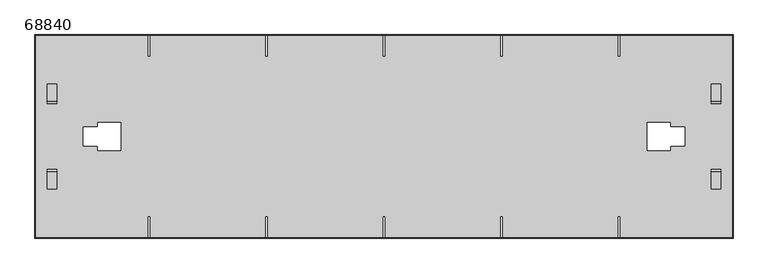
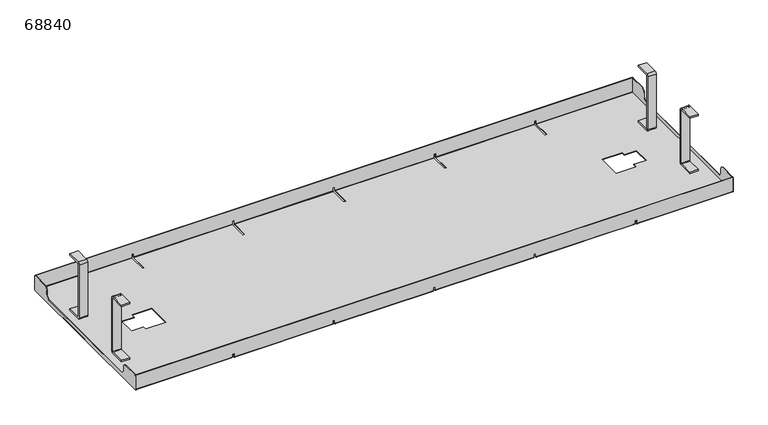
"""IFC4 building model written with IfcOpenShell, lengths in millimetres: furniture geometry, 68840."""

from ifc_helpers import new_model, si_unit, point, frame, frame_2d, origin, place, context, project, spatial, polyline, circle_curve, trimmed, segment, composite_curve, outline, extrude, source, transform, mapped, element, save
from ifc_brep_helpers import plane_surface, cylinder_surface, revolved_surface, advanced_brep


def furniture_68840_d2eab480(model_context):
    return source(origin(), model_context, "Body", "SolidModel", [
        extrude(outline(composite_curve([segment(polyline([(73.0, 146.0), (108.0, 146.0), (108.0, 142.0), (73.0, 142.0)]), True, "CONTINUOUS"), segment(trimmed(circle_curve(frame_2d((73.0, 141.0)), 1.0), [point((73.0, 142.0))], [point((72.0, 141.0))], True, "CARTESIAN"), True, "CONTINUOUS"), segment(polyline([(72.0, 141.0), (72.0, 6.0)]), True, "CONTINUOUS"), segment(trimmed(circle_curve(frame_2d((73.0, 6.0)), 1.0), [point((72.0, 6.0))], [point((73.0, 5.0))], True, "CARTESIAN"), True, "CONTINUOUS"), segment(polyline([(73.0, 5.0), (108.0, 5.0), (108.0, 1.0), (73.0, 1.0)]), True, "CONTINUOUS"), segment(trimmed(circle_curve(frame_2d((73.0, 6.0)), 5.0), [point((73.0, 1.0))], [point((68.0, 6.0))], False, "CARTESIAN"), True, "CONTINUOUS"), segment(polyline([(68.0, 6.0), (68.0, 141.0)]), True, "CONTINUOUS"), segment(trimmed(circle_curve(frame_2d((73.0, 141.0)), 5.0), [point((68.0, 141.0))], [point((73.0, 146.0))], False, "CARTESIAN"), True, "CONTINUOUS")], self_intersect=False)), frame((1395.0, 0.0, 0.0), z_axis=(1.0, 0.0, 0.0), x_axis=(0.0, 1.0, 0.0)), (0.0, 0.0, 1.0), 20.0),
        extrude(outline(composite_curve([segment(polyline([(73.0, 146.0), (108.0, 146.0), (108.0, 142.0), (73.0, 142.0)]), True, "CONTINUOUS"), segment(trimmed(circle_curve(frame_2d((73.0, 141.0)), 1.0), [point((73.0, 142.0))], [point((72.0, 141.0))], True, "CARTESIAN"), True, "CONTINUOUS"), segment(polyline([(72.0, 141.0), (72.0, 6.0)]), True, "CONTINUOUS"), segment(trimmed(circle_curve(frame_2d((73.0, 6.0)), 1.0), [point((72.0, 6.0))], [point((73.0, 5.0))], True, "CARTESIAN"), True, "CONTINUOUS"), segment(polyline([(73.0, 5.0), (108.0, 5.0), (108.0, 1.0), (73.0, 1.0)]), True, "CONTINUOUS"), segment(trimmed(circle_curve(frame_2d((73.0, 6.0)), 5.0), [point((73.0, 1.0))], [point((68.0, 6.0))], False, "CARTESIAN"), True, "CONTINUOUS"), segment(polyline([(68.0, 6.0), (68.0, 141.0)]), True, "CONTINUOUS"), segment(trimmed(circle_curve(frame_2d((73.0, 141.0)), 5.0), [point((68.0, 141.0))], [point((73.0, 146.0))], False, "CARTESIAN"), True, "CONTINUOUS")], self_intersect=False)), frame((25.0, 0.0, 0.0), z_axis=(1.0, 0.0, 0.0), x_axis=(0.0, 1.0, 0.0)), (0.0, 0.0, 1.0), 20.0),
        extrude(outline(composite_curve([segment(trimmed(circle_curve(frame_2d((-73.0, 141.0)), 5.0), [point((-73.0, 146.0))], [point((-68.0, 141.0))], False, "CARTESIAN"), True, "CONTINUOUS"), segment(polyline([(-68.0, 141.0), (-68.0, 6.0)]), True, "CONTINUOUS"), segment(trimmed(circle_curve(frame_2d((-73.0, 6.0)), 5.0), [point((-68.0, 6.0))], [point((-73.0, 1.0))], False, "CARTESIAN"), True, "CONTINUOUS"), segment(polyline([(-73.0, 1.0), (-108.0, 1.0), (-108.0, 5.0), (-73.0, 5.0)]), True, "CONTINUOUS"), segment(trimmed(circle_curve(frame_2d((-73.0, 6.0)), 1.0), [point((-73.0, 5.0))], [point((-72.0, 6.0))], True, "CARTESIAN"), True, "CONTINUOUS"), segment(polyline([(-72.0, 6.0), (-72.0, 141.0)]), True, "CONTINUOUS"), segment(trimmed(circle_curve(frame_2d((-73.0, 141.0)), 1.0), [point((-72.0, 141.0))], [point((-73.0, 142.0))], True, "CARTESIAN"), True, "CONTINUOUS"), segment(polyline([(-73.0, 142.0), (-108.0, 142.0), (-108.0, 146.0), (-73.0, 146.0)]), True, "CONTINUOUS")], self_intersect=False)), frame((1395.0, 0.0, 0.0), z_axis=(1.0, 0.0, 0.0), x_axis=(0.0, 1.0, 0.0)), (0.0, 0.0, 1.0), 20.0),
        extrude(outline(composite_curve([segment(trimmed(circle_curve(frame_2d((-73.0, 141.0)), 5.0), [point((-73.0, 146.0))], [point((-68.0, 141.0))], False, "CARTESIAN"), True, "CONTINUOUS"), segment(polyline([(-68.0, 141.0), (-68.0, 6.0)]), True, "CONTINUOUS"), segment(trimmed(circle_curve(frame_2d((-73.0, 6.0)), 5.0), [point((-68.0, 6.0))], [point((-73.0, 1.0))], False, "CARTESIAN"), True, "CONTINUOUS"), segment(polyline([(-73.0, 1.0), (-108.0, 1.0), (-108.0, 5.0), (-73.0, 5.0)]), True, "CONTINUOUS"), segment(trimmed(circle_curve(frame_2d((-73.0, 6.0)), 1.0), [point((-73.0, 5.0))], [point((-72.0, 6.0))], True, "CARTESIAN"), True, "CONTINUOUS"), segment(polyline([(-72.0, 6.0), (-72.0, 141.0)]), True, "CONTINUOUS"), segment(trimmed(circle_curve(frame_2d((-73.0, 141.0)), 1.0), [point((-72.0, 141.0))], [point((-73.0, 142.0))], True, "CARTESIAN"), True, "CONTINUOUS"), segment(polyline([(-73.0, 142.0), (-108.0, 142.0), (-108.0, 146.0), (-73.0, 146.0)]), True, "CONTINUOUS")], self_intersect=False)), frame((25.0, 0.0, 0.0), z_axis=(1.0, 0.0, 0.0), x_axis=(0.0, 1.0, 0.0)), (0.0, 0.0, 1.0), 20.0),
        advanced_brep(
        [(1439.0, -210.0, 2.0), (1439.0, -208.0, 0.0), (1439.0, 208.0, 0.0), (1439.0, 210.0, 2.0), (1439.0, 210.0, 38.0), (1439.0, 209.0, 38.0), (1439.0, 209.0, 2.0), (1439.0, 208.0, 1.0), (1439.0, -208.0, 1.0), (1439.0, -209.0, 2.0), (1439.0, -209.0, 38.0), (1439.0, -210.0, 38.0), (1.0, -210.0, 2.0), (1.0, -210.0, 38.0), (1.0, -209.0, 38.0), (1.0, -209.0, 2.0), (1.0, -208.0, 1.0), (1.0, 208.0, 1.0), (1.0, 209.0, 2.0), (1.0, 209.0, 38.0), (1.0, 210.0, 38.0), (1.0, 210.0, 2.0), (1.0, 208.0, 0.0), (1.0, -208.0, 0.0), (1207.5, -208.0, 0.0), (1207.5, -165.0, 0.0), (1202.5, -165.0, 0.0), (1202.5, -208.0, 0.0), (965.0, -208.0, 0.0), (965.0, -165.0, 0.0), (960.0, -165.0, 0.0), (960.0, -208.0, 0.0), (722.5, -208.0, 0.0), (722.5, -165.0, 0.0), (717.5, -165.0, 0.0), (717.5, -208.0, 0.0), (480.0, -208.0, 0.0), (480.0, -165.0, 0.0), (475.0, -165.0, 0.0), (475.0, -208.0, 0.0), (237.5, -208.0, 0.0), (237.5, -165.0, 0.0), (232.5, -165.0, 0.0), (232.5, -208.0, 0.0), (232.5, 208.0, 0.0), (232.5, 165.0, 0.0), (237.5, 165.0, 0.0), (237.5, 208.0, 0.0), (475.0, 208.0, 0.0), (475.0, 165.0, 0.0), (480.0, 165.0, 0.0), (480.0, 208.0, 0.0), (717.5, 208.0, 0.0), (717.5, 165.0, 0.0), (722.5, 165.0, 0.0), (722.5, 208.0, 0.0), (960.0, 208.0, 0.0), (960.0, 165.0, 0.0), (965.0, 165.0, 0.0), (965.0, 208.0, 0.0), (1202.5, 208.0, 0.0), (1202.5, 165.0, 0.0), (1207.5, 165.0, 0.0), (1207.5, 208.0, 0.0), (129.5, 20.0, 0.0), (100.0, 20.0, 0.0), (100.0, -20.0, 0.0), (129.5, -20.0, 0.0), (129.5, -29.0, 0.0), (177.5, -29.0, 0.0), (177.5, 29.0, 0.0), (129.5, 29.0, 0.0), (1310.5, -20.0, 0.0), (1340.0, -20.0, 0.0), (1340.0, 20.0, 0.0), (1310.5, 20.0, 0.0), (1310.5, 29.0, 0.0), (1262.5, 29.0, 0.0), (1262.5, -29.0, 0.0), (1310.5, -29.0, 0.0), (1207.5, 210.0, 2.0), (1207.5, 210.0, 10.0), (1202.5, 210.0, 10.0), (1202.5, 210.0, 2.0), (965.0, 210.0, 2.0), (965.0, 210.0, 10.0), (960.0, 210.0, 10.0), (960.0, 210.0, 2.0), (722.5, 210.0, 2.0), (722.5, 210.0, 10.0), (717.5, 210.0, 10.0), (717.5, 210.0, 2.0), (480.0, 210.0, 2.0), (480.0, 210.0, 10.0), (475.0, 210.0, 10.0), (475.0, 210.0, 2.0), (237.5, 210.0, 2.0), (237.5, 210.0, 10.0), (232.5, 210.0, 10.0), (232.5, 210.0, 2.0), (232.5, 209.0, 2.0), (232.5, 209.0, 10.0), (237.5, 209.0, 10.0), (237.5, 209.0, 2.0), (475.0, 209.0, 2.0), (475.0, 209.0, 10.0), (480.0, 209.0, 10.0), (480.0, 209.0, 2.0), (717.5, 209.0, 2.0), (717.5, 209.0, 10.0), (722.5, 209.0, 10.0), (722.5, 209.0, 2.0), (960.0, 209.0, 2.0), (960.0, 209.0, 10.0), (965.0, 209.0, 10.0), (965.0, 209.0, 2.0), (1202.5, 209.0, 2.0), (1202.5, 209.0, 10.0), (1207.5, 209.0, 10.0), (1207.5, 209.0, 2.0), (1207.5, 208.0, 1.0), (1207.5, 165.0, 1.0), (1202.5, 165.0, 1.0), (1202.5, 208.0, 1.0), (965.0, 208.0, 1.0), (965.0, 165.0, 1.0), (960.0, 165.0, 1.0), (960.0, 208.0, 1.0), (722.5, 208.0, 1.0), (722.5, 165.0, 1.0), (717.5, 165.0, 1.0), (717.5, 208.0, 1.0), (480.0, 208.0, 1.0), (480.0, 165.0, 1.0), (475.0, 165.0, 1.0), (475.0, 208.0, 1.0), (237.5, 208.0, 1.0), (237.5, 165.0, 1.0), (232.5, 165.0, 1.0), (232.5, 208.0, 1.0), (232.5, -208.0, 1.0), (232.5, -165.0, 1.0), (237.5, -165.0, 1.0), (237.5, -208.0, 1.0), (475.0, -208.0, 1.0), (475.0, -165.0, 1.0), (480.0, -165.0, 1.0), (480.0, -208.0, 1.0), (717.5, -208.0, 1.0), (717.5, -165.0, 1.0), (722.5, -165.0, 1.0), (722.5, -208.0, 1.0), (960.0, -208.0, 1.0), (960.0, -165.0, 1.0), (965.0, -165.0, 1.0), (965.0, -208.0, 1.0), (1202.5, -208.0, 1.0), (1202.5, -165.0, 1.0), (1207.5, -165.0, 1.0), (1207.5, -208.0, 1.0), (100.0, 20.0, 1.0), (129.5, 20.0, 1.0), (129.5, 29.0, 1.0), (177.5, 29.0, 1.0), (177.5, -29.0, 1.0), (129.5, -29.0, 1.0), (129.5, -20.0, 1.0), (100.0, -20.0, 1.0), (1340.0, -20.0, 1.0), (1310.5, -20.0, 1.0), (1310.5, -29.0, 1.0), (1262.5, -29.0, 1.0), (1262.5, 29.0, 1.0), (1310.5, 29.0, 1.0), (1310.5, 20.0, 1.0), (1340.0, 20.0, 1.0), (1207.5, -209.0, 2.0), (1207.5, -209.0, 10.0), (1202.5, -209.0, 10.0), (1202.5, -209.0, 2.0), (965.0, -209.0, 2.0), (965.0, -209.0, 10.0), (960.0, -209.0, 10.0), (960.0, -209.0, 2.0), (722.5, -209.0, 2.0), (722.5, -209.0, 10.0), (717.5, -209.0, 10.0), (717.5, -209.0, 2.0), (480.0, -209.0, 2.0), (480.0, -209.0, 10.0), (475.0, -209.0, 10.0), (475.0, -209.0, 2.0), (237.5, -209.0, 2.0), (237.5, -209.0, 10.0), (232.5, -209.0, 10.0), (232.5, -209.0, 2.0), (232.5, -210.0, 2.0), (232.5, -210.0, 10.0), (237.5, -210.0, 10.0), (237.5, -210.0, 2.0), (475.0, -210.0, 2.0), (475.0, -210.0, 10.0), (480.0, -210.0, 10.0), (480.0, -210.0, 2.0), (717.5, -210.0, 2.0), (717.5, -210.0, 10.0), (722.5, -210.0, 10.0), (722.5, -210.0, 2.0), (960.0, -210.0, 2.0), (960.0, -210.0, 10.0), (965.0, -210.0, 10.0), (965.0, -210.0, 2.0), (1202.5, -210.0, 2.0), (1202.5, -210.0, 10.0), (1207.5, -210.0, 10.0), (1207.5, -210.0, 2.0)],
        [
            (0, 1, circle_curve(frame((1439.0, -208.0, 2.0), z_axis=(1.0, 0.0, 0.0), x_axis=(0.0, 1.0, 0.0)), 2.0)),
            (1, 2),
            (2, 3, circle_curve(frame((1439.0, 208.0, 2.0), z_axis=(1.0, 0.0, 0.0), x_axis=(0.0, 1.0, 0.0)), 2.0)),
            (3, 4),
            (4, 5),
            (5, 6),
            (6, 7, circle_curve(frame((1439.0, 208.0, 2.0), z_axis=(-1.0, 0.0, 0.0), x_axis=(0.0, 1.0, 0.0)), 1.0)),
            (7, 8),
            (8, 9, circle_curve(frame((1439.0, -208.0, 2.0), z_axis=(-1.0, 0.0, 0.0), x_axis=(0.0, 1.0, 0.0)), 1.0)),
            (9, 10),
            (10, 11),
            (11, 0),
            (12, 13),
            (13, 14),
            (14, 15),
            (15, 16, circle_curve(frame((1.0, -208.0, 2.0), z_axis=(1.0, 0.0, 0.0), x_axis=(0.0, 1.0, 0.0)), 1.0)),
            (16, 17),
            (17, 18, circle_curve(frame((1.0, 208.0, 2.0), z_axis=(1.0, 0.0, 0.0), x_axis=(0.0, 1.0, 0.0)), 1.0)),
            (18, 19),
            (19, 20),
            (20, 21),
            (21, 22, circle_curve(frame((1.0, 208.0, 2.0), z_axis=(-1.0, 0.0, 0.0), x_axis=(0.0, 1.0, 0.0)), 2.0)),
            (22, 23),
            (23, 12, circle_curve(frame((1.0, -208.0, 2.0), z_axis=(-1.0, 0.0, 0.0), x_axis=(0.0, 1.0, 0.0)), 2.0)),
            (1, 24),
            (24, 25),
            (25, 26),
            (26, 27),
            (27, 28),
            (28, 29),
            (29, 30),
            (30, 31),
            (31, 32),
            (32, 33),
            (33, 34),
            (34, 35),
            (35, 36),
            (36, 37),
            (37, 38),
            (38, 39),
            (39, 40),
            (40, 41),
            (41, 42),
            (42, 43),
            (43, 23),
            (22, 44),
            (44, 45),
            (45, 46),
            (46, 47),
            (47, 48),
            (48, 49),
            (49, 50),
            (50, 51),
            (51, 52),
            (52, 53),
            (53, 54),
            (54, 55),
            (55, 56),
            (56, 57),
            (57, 58),
            (58, 59),
            (59, 60),
            (60, 61),
            (61, 62),
            (62, 63),
            (63, 2),
            (64, 65),
            (65, 66),
            (66, 67),
            (67, 68),
            (68, 69),
            (69, 70),
            (70, 71),
            (71, 64),
            (72, 73),
            (73, 74),
            (74, 75),
            (75, 76),
            (76, 77),
            (77, 78),
            (78, 79),
            (79, 72),
            (3, 80),
            (80, 81),
            (81, 82),
            (82, 83),
            (83, 84),
            (84, 85),
            (85, 86),
            (86, 87),
            (87, 88),
            (88, 89),
            (89, 90),
            (90, 91),
            (91, 92),
            (92, 93),
            (93, 94),
            (94, 95),
            (95, 96),
            (96, 97),
            (97, 98),
            (98, 99),
            (99, 21),
            (20, 4),
            (19, 5),
            (18, 100),
            (100, 101),
            (101, 102),
            (102, 103),
            (103, 104),
            (104, 105),
            (105, 106),
            (106, 107),
            (107, 108),
            (108, 109),
            (109, 110),
            (110, 111),
            (111, 112),
            (112, 113),
            (113, 114),
            (114, 115),
            (115, 116),
            (116, 117),
            (117, 118),
            (118, 119),
            (119, 6),
            (7, 120),
            (120, 121),
            (121, 122),
            (122, 123),
            (123, 124),
            (124, 125),
            (125, 126),
            (126, 127),
            (127, 128),
            (128, 129),
            (129, 130),
            (130, 131),
            (131, 132),
            (132, 133),
            (133, 134),
            (134, 135),
            (135, 136),
            (136, 137),
            (137, 138),
            (138, 139),
            (139, 17),
            (16, 140),
            (140, 141),
            (141, 142),
            (142, 143),
            (143, 144),
            (144, 145),
            (145, 146),
            (146, 147),
            (147, 148),
            (148, 149),
            (149, 150),
            (150, 151),
            (151, 152),
            (152, 153),
            (153, 154),
            (154, 155),
            (155, 156),
            (156, 157),
            (157, 158),
            (158, 159),
            (159, 8),
            (160, 161),
            (161, 162),
            (162, 163),
            (163, 164),
            (164, 165),
            (165, 166),
            (166, 167),
            (167, 160),
            (168, 169),
            (169, 170),
            (170, 171),
            (171, 172),
            (172, 173),
            (173, 174),
            (174, 175),
            (175, 168),
            (9, 176),
            (176, 177),
            (177, 178),
            (178, 179),
            (179, 180),
            (180, 181),
            (181, 182),
            (182, 183),
            (183, 184),
            (184, 185),
            (185, 186),
            (186, 187),
            (187, 188),
            (188, 189),
            (189, 190),
            (190, 191),
            (191, 192),
            (192, 193),
            (193, 194),
            (194, 195),
            (195, 15),
            (14, 10),
            (13, 11),
            (12, 196),
            (196, 197),
            (197, 198),
            (198, 199),
            (199, 200),
            (200, 201),
            (201, 202),
            (202, 203),
            (203, 204),
            (204, 205),
            (205, 206),
            (206, 207),
            (207, 208),
            (208, 209),
            (209, 210),
            (210, 211),
            (211, 212),
            (212, 213),
            (213, 214),
            (214, 215),
            (215, 0),
            (215, 24, circle_curve(frame((1207.5, -208.0, 2.0), z_axis=(1.0, 0.0, 0.0), x_axis=(0.0, 1.0, 0.0)), 2.0)),
            (43, 196, circle_curve(frame((232.5, -208.0, 2.0), z_axis=(-1.0, 0.0, 0.0), x_axis=(0.0, 1.0, 0.0)), 2.0)),
            (199, 40, circle_curve(frame((237.5, -208.0, 2.0), z_axis=(1.0, 0.0, 0.0), x_axis=(0.0, 1.0, 0.0)), 2.0)),
            (39, 200, circle_curve(frame((475.0, -208.0, 2.0), z_axis=(-1.0, 0.0, 0.0), x_axis=(0.0, 1.0, 0.0)), 2.0)),
            (27, 212, circle_curve(frame((1202.5, -208.0, 2.0), z_axis=(-1.0, 0.0, 0.0), x_axis=(0.0, 1.0, 0.0)), 2.0)),
            (211, 28, circle_curve(frame((965.0, -208.0, 2.0), z_axis=(1.0, 0.0, 0.0), x_axis=(0.0, 1.0, 0.0)), 2.0)),
            (203, 36, circle_curve(frame((480.0, -208.0, 2.0), z_axis=(1.0, 0.0, 0.0), x_axis=(0.0, 1.0, 0.0)), 2.0)),
            (35, 204, circle_curve(frame((717.5, -208.0, 2.0), z_axis=(-1.0, 0.0, 0.0), x_axis=(0.0, 1.0, 0.0)), 2.0)),
            (207, 32, circle_curve(frame((722.5, -208.0, 2.0), z_axis=(1.0, 0.0, 0.0), x_axis=(0.0, 1.0, 0.0)), 2.0)),
            (31, 208, circle_curve(frame((960.0, -208.0, 2.0), z_axis=(-1.0, 0.0, 0.0), x_axis=(0.0, 1.0, 0.0)), 2.0)),
            (63, 80, circle_curve(frame((1207.5, 208.0, 2.0), z_axis=(1.0, 0.0, 0.0), x_axis=(0.0, 1.0, 0.0)), 2.0)),
            (99, 44, circle_curve(frame((232.5, 208.0, 2.0), z_axis=(-1.0, 0.0, 0.0), x_axis=(0.0, 1.0, 0.0)), 2.0)),
            (47, 96, circle_curve(frame((237.5, 208.0, 2.0), z_axis=(1.0, 0.0, 0.0), x_axis=(0.0, 1.0, 0.0)), 2.0)),
            (95, 48, circle_curve(frame((475.0, 208.0, 2.0), z_axis=(-1.0, 0.0, 0.0), x_axis=(0.0, 1.0, 0.0)), 2.0)),
            (83, 60, circle_curve(frame((1202.5, 208.0, 2.0), z_axis=(-1.0, 0.0, 0.0), x_axis=(0.0, 1.0, 0.0)), 2.0)),
            (59, 84, circle_curve(frame((965.0, 208.0, 2.0), z_axis=(1.0, 0.0, 0.0), x_axis=(0.0, 1.0, 0.0)), 2.0)),
            (51, 92, circle_curve(frame((480.0, 208.0, 2.0), z_axis=(1.0, 0.0, 0.0), x_axis=(0.0, 1.0, 0.0)), 2.0)),
            (91, 52, circle_curve(frame((717.5, 208.0, 2.0), z_axis=(-1.0, 0.0, 0.0), x_axis=(0.0, 1.0, 0.0)), 2.0)),
            (55, 88, circle_curve(frame((722.5, 208.0, 2.0), z_axis=(1.0, 0.0, 0.0), x_axis=(0.0, 1.0, 0.0)), 2.0)),
            (87, 56, circle_curve(frame((960.0, 208.0, 2.0), z_axis=(-1.0, 0.0, 0.0), x_axis=(0.0, 1.0, 0.0)), 2.0)),
            (119, 120, circle_curve(frame((1207.5, 208.0, 2.0), z_axis=(-1.0, 0.0, 0.0), x_axis=(0.0, 1.0, 0.0)), 1.0)),
            (139, 100, circle_curve(frame((232.5, 208.0, 2.0), z_axis=(1.0, 0.0, 0.0), x_axis=(0.0, 1.0, 0.0)), 1.0)),
            (103, 136, circle_curve(frame((237.5, 208.0, 2.0), z_axis=(-1.0, 0.0, 0.0), x_axis=(0.0, 1.0, 0.0)), 1.0)),
            (135, 104, circle_curve(frame((475.0, 208.0, 2.0), z_axis=(1.0, 0.0, 0.0), x_axis=(0.0, 1.0, 0.0)), 1.0)),
            (123, 116, circle_curve(frame((1202.5, 208.0, 2.0), z_axis=(1.0, 0.0, 0.0), x_axis=(0.0, 1.0, 0.0)), 1.0)),
            (115, 124, circle_curve(frame((965.0, 208.0, 2.0), z_axis=(-1.0, 0.0, 0.0), x_axis=(0.0, 1.0, 0.0)), 1.0)),
            (107, 132, circle_curve(frame((480.0, 208.0, 2.0), z_axis=(-1.0, 0.0, 0.0), x_axis=(0.0, 1.0, 0.0)), 1.0)),
            (131, 108, circle_curve(frame((717.5, 208.0, 2.0), z_axis=(1.0, 0.0, 0.0), x_axis=(0.0, 1.0, 0.0)), 1.0)),
            (111, 128, circle_curve(frame((722.5, 208.0, 2.0), z_axis=(-1.0, 0.0, 0.0), x_axis=(0.0, 1.0, 0.0)), 1.0)),
            (127, 112, circle_curve(frame((960.0, 208.0, 2.0), z_axis=(1.0, 0.0, 0.0), x_axis=(0.0, 1.0, 0.0)), 1.0)),
            (159, 176, circle_curve(frame((1207.5, -208.0, 2.0), z_axis=(-1.0, 0.0, 0.0), x_axis=(0.0, 1.0, 0.0)), 1.0)),
            (195, 140, circle_curve(frame((232.5, -208.0, 2.0), z_axis=(1.0, 0.0, 0.0), x_axis=(0.0, 1.0, 0.0)), 1.0)),
            (143, 192, circle_curve(frame((237.5, -208.0, 2.0), z_axis=(-1.0, 0.0, 0.0), x_axis=(0.0, 1.0, 0.0)), 1.0)),
            (191, 144, circle_curve(frame((475.0, -208.0, 2.0), z_axis=(1.0, 0.0, 0.0), x_axis=(0.0, 1.0, 0.0)), 1.0)),
            (179, 156, circle_curve(frame((1202.5, -208.0, 2.0), z_axis=(1.0, 0.0, 0.0), x_axis=(0.0, 1.0, 0.0)), 1.0)),
            (155, 180, circle_curve(frame((965.0, -208.0, 2.0), z_axis=(-1.0, 0.0, 0.0), x_axis=(0.0, 1.0, 0.0)), 1.0)),
            (147, 188, circle_curve(frame((480.0, -208.0, 2.0), z_axis=(-1.0, 0.0, 0.0), x_axis=(0.0, 1.0, 0.0)), 1.0)),
            (187, 148, circle_curve(frame((717.5, -208.0, 2.0), z_axis=(1.0, 0.0, 0.0), x_axis=(0.0, 1.0, 0.0)), 1.0)),
            (151, 184, circle_curve(frame((722.5, -208.0, 2.0), z_axis=(-1.0, 0.0, 0.0), x_axis=(0.0, 1.0, 0.0)), 1.0)),
            (183, 152, circle_curve(frame((960.0, -208.0, 2.0), z_axis=(1.0, 0.0, 0.0), x_axis=(0.0, 1.0, 0.0)), 1.0)),
            (64, 161),
            (160, 65),
            (167, 66),
            (166, 67),
            (165, 68),
            (164, 69),
            (163, 70),
            (162, 71),
            (72, 169),
            (168, 73),
            (175, 74),
            (174, 75),
            (173, 76),
            (172, 77),
            (171, 78),
            (170, 79),
            (97, 102),
            (101, 98),
            (138, 45),
            (137, 46),
            (81, 118),
            (117, 82),
            (122, 61),
            (121, 62),
            (93, 106),
            (105, 94),
            (134, 49),
            (133, 50),
            (193, 198),
            (197, 194),
            (41, 142),
            (141, 42),
            (177, 214),
            (213, 178),
            (25, 158),
            (157, 26),
            (189, 202),
            (201, 190),
            (37, 146),
            (145, 38),
            (89, 110),
            (109, 90),
            (130, 53),
            (129, 54),
            (85, 114),
            (113, 86),
            (126, 57),
            (125, 58),
            (185, 206),
            (205, 186),
            (33, 150),
            (149, 34),
            (181, 210),
            (209, 182),
            (29, 154),
            (153, 30),
        ],
        [
            plane_surface(frame((1439.0, -206.0, 2.0), z_axis=(1.0, 0.0, 0.0), x_axis=(0.0, 0.0, 1.0))),
            plane_surface(frame((1.0, -206.0, 2.0), z_axis=(-1.0, 0.0, 0.0), x_axis=(0.0, 0.0, -1.0))),
            plane_surface(frame((1439.0, -208.0, 0.0), z_axis=(0.0, 0.0, -1.0), x_axis=(-1.0, 0.0, 0.0))),
            plane_surface(frame((1439.0, 210.0, 2.0), z_axis=(0.0, 1.0, 0.0), x_axis=(-1.0, 0.0, 0.0))),
            plane_surface(frame((1439.0, 210.0, 38.0), z_axis=(0.0, 0.0, 1.0), x_axis=(-1.0, 0.0, 0.0))),
            plane_surface(frame((1439.0, 209.0, 38.0), z_axis=(0.0, -1.0, 0.0), x_axis=(-1.0, 0.0, 0.0))),
            plane_surface(frame((1439.0, 208.0, 1.0), z_axis=(0.0, 0.0, 1.0), x_axis=(-1.0, 0.0, 0.0))),
            plane_surface(frame((1439.0, -209.0, 2.0), z_axis=(0.0, 1.0, 0.0), x_axis=(-1.0, 0.0, 0.0))),
            plane_surface(frame((1439.0, -209.0, 38.0), z_axis=(0.0, 0.0, 1.0), x_axis=(-1.0, 0.0, 0.0))),
            plane_surface(frame((1439.0, -210.0, 38.0), z_axis=(0.0, -1.0, 0.0), x_axis=(-1.0, 0.0, 0.0))),
            cylinder_surface(frame((1.0, -208.0, 2.0), z_axis=(1.0, 0.0, 0.0), x_axis=(0.0, 1.0, 0.0)), 2.0),
            cylinder_surface(frame((1.0, 208.0, 2.0), z_axis=(1.0, 0.0, 0.0), x_axis=(0.0, 1.0, 0.0)), 2.0),
            revolved_surface(polyline([(1207.5, 209.0, 2.0), (1439.0, 209.0, 2.0)]), (1.0, 208.0, 2.0), (-1.0, 0.0, 0.0)),
            revolved_surface(polyline([(1.0, 209.0, 2.0), (232.5, 209.0, 2.0)]), (1.0, 208.0, 2.0), (-1.0, 0.0, 0.0)),
            revolved_surface(polyline([(237.5, 209.0, 2.0), (475.0, 209.0, 2.0)]), (1.0, 208.0, 2.0), (-1.0, 0.0, 0.0)),
            revolved_surface(polyline([(965.0, 209.0, 2.0), (1202.5, 209.0, 2.0)]), (1.0, 208.0, 2.0), (-1.0, 0.0, 0.0)),
            revolved_surface(polyline([(480.0, 209.0, 2.0), (717.5, 209.0, 2.0)]), (1.0, 208.0, 2.0), (-1.0, 0.0, 0.0)),
            revolved_surface(polyline([(722.5, 209.0, 2.0), (960.0, 209.0, 2.0)]), (1.0, 208.0, 2.0), (-1.0, 0.0, 0.0)),
            revolved_surface(polyline([(1207.5, -207.0, 2.0), (1439.0, -207.0, 2.0)]), (1.0, -208.0, 2.0), (-1.0, 0.0, 0.0)),
            revolved_surface(polyline([(1.0, -207.0, 2.0), (232.5, -207.0, 2.0)]), (1.0, -208.0, 2.0), (-1.0, 0.0, 0.0)),
            revolved_surface(polyline([(237.5, -207.0, 2.0), (475.0, -207.0, 2.0)]), (1.0, -208.0, 2.0), (-1.0, 0.0, 0.0)),
            revolved_surface(polyline([(965.0, -207.0, 2.0), (1202.5, -207.0, 2.0)]), (1.0, -208.0, 2.0), (-1.0, 0.0, 0.0)),
            revolved_surface(polyline([(480.0, -207.0, 2.0), (717.5, -207.0, 2.0)]), (1.0, -208.0, 2.0), (-1.0, 0.0, 0.0)),
            revolved_surface(polyline([(722.5, -207.0, 2.0), (960.0, -207.0, 2.0)]), (1.0, -208.0, 2.0), (-1.0, 0.0, 0.0)),
            plane_surface(frame((129.5, 20.0, 10.0), z_axis=(0.0, -1.0, 0.0), x_axis=(0.0, 0.0, -1.0))),
            plane_surface(frame((100.0, 20.0, 10.0), z_axis=(1.0, 0.0, 0.0), x_axis=(0.0, 0.0, -1.0))),
            plane_surface(frame((100.0, -20.0, 10.0), z_axis=(0.0, 1.0, 0.0), x_axis=(0.0, 0.0, -1.0))),
            plane_surface(frame((129.5, -20.0, 10.0), z_axis=(1.0, 0.0, 0.0), x_axis=(0.0, 0.0, -1.0))),
            plane_surface(frame((129.5, -29.0, 10.0), z_axis=(0.0, 1.0, 0.0), x_axis=(0.0, 0.0, -1.0))),
            plane_surface(frame((177.5, -29.0, 10.0), z_axis=(-1.0, 0.0, 0.0), x_axis=(0.0, 0.0, -1.0))),
            plane_surface(frame((177.5, 29.0, 10.0), z_axis=(0.0, -1.0, 0.0), x_axis=(0.0, 0.0, -1.0))),
            plane_surface(frame((129.5, 29.0, 10.0), z_axis=(1.0, 0.0, 0.0), x_axis=(0.0, 0.0, -1.0))),
            plane_surface(frame((1310.5, -20.0, 10.0), z_axis=(0.0, 1.0, 0.0), x_axis=(0.0, 0.0, -1.0))),
            plane_surface(frame((1340.0, -20.0, 10.0), z_axis=(-1.0, 0.0, 0.0), x_axis=(0.0, 0.0, -1.0))),
            plane_surface(frame((1340.0, 20.0, 10.0), z_axis=(0.0, -1.0, 0.0), x_axis=(0.0, 0.0, -1.0))),
            plane_surface(frame((1310.5, 20.0, 10.0), z_axis=(-1.0, 0.0, 0.0), x_axis=(0.0, 0.0, -1.0))),
            plane_surface(frame((1310.5, 29.0, 10.0), z_axis=(0.0, -1.0, 0.0), x_axis=(0.0, 0.0, -1.0))),
            plane_surface(frame((1262.5, 29.0, 10.0), z_axis=(1.0, 0.0, 0.0), x_axis=(0.0, 0.0, -1.0))),
            plane_surface(frame((1262.5, -29.0, 10.0), z_axis=(0.0, 1.0, 0.0), x_axis=(0.0, 0.0, -1.0))),
            plane_surface(frame((1310.5, -29.0, 10.0), z_axis=(-1.0, 0.0, 0.0), x_axis=(0.0, 0.0, -1.0))),
            plane_surface(frame((177.5, 210.0, 10.0), z_axis=(0.0, 0.0, -1.0), x_axis=(-1.0, 0.0, 0.0))),
            plane_surface(frame((232.5, 210.0, 10.0), z_axis=(1.0, 0.0, 0.0), x_axis=(0.0, 0.0, -1.0))),
            plane_surface(frame((232.5, 165.0, 10.0), z_axis=(0.0, 1.0, 0.0), x_axis=(0.0, 0.0, -1.0))),
            plane_surface(frame((237.5, 165.0, 10.0), z_axis=(-1.0, 0.0, 0.0), x_axis=(0.0, 0.0, -1.0))),
            plane_surface(frame((1147.5, 210.0, 10.0), z_axis=(0.0, 0.0, -1.0), x_axis=(-1.0, 0.0, 0.0))),
            plane_surface(frame((1202.5, 210.0, 10.0), z_axis=(1.0, 0.0, 0.0), x_axis=(0.0, 0.0, -1.0))),
            plane_surface(frame((1202.5, 165.0, 10.0), z_axis=(0.0, 1.0, 0.0), x_axis=(0.0, 0.0, -1.0))),
            plane_surface(frame((1207.5, 165.0, 10.0), z_axis=(-1.0, 0.0, 0.0), x_axis=(0.0, 0.0, -1.0))),
            plane_surface(frame((420.0, 210.0, 10.0), z_axis=(0.0, 0.0, -1.0), x_axis=(-1.0, 0.0, 0.0))),
            plane_surface(frame((475.0, 210.0, 10.0), z_axis=(1.0, 0.0, 0.0), x_axis=(0.0, 0.0, -1.0))),
            plane_surface(frame((475.0, 165.0, 10.0), z_axis=(0.0, 1.0, 0.0), x_axis=(0.0, 0.0, -1.0))),
            plane_surface(frame((480.0, 165.0, 10.0), z_axis=(-1.0, 0.0, 0.0), x_axis=(0.0, 0.0, -1.0))),
            plane_surface(frame((232.5, -165.0, 10.0), z_axis=(0.0, 0.0, -1.0), x_axis=(-1.0, 0.0, 0.0))),
            plane_surface(frame((237.5, -165.0, 10.0), z_axis=(0.0, -1.0, 0.0), x_axis=(0.0, 0.0, -1.0))),
            plane_surface(frame((232.5, -165.0, 10.0), z_axis=(1.0, 0.0, 0.0), x_axis=(0.0, 0.0, -1.0))),
            plane_surface(frame((237.5, -210.0, 10.0), z_axis=(-1.0, 0.0, 0.0), x_axis=(0.0, 0.0, -1.0))),
            plane_surface(frame((1202.5, -165.0, 10.0), z_axis=(0.0, 0.0, -1.0), x_axis=(-1.0, 0.0, 0.0))),
            plane_surface(frame((1207.5, -165.0, 10.0), z_axis=(0.0, -1.0, 0.0), x_axis=(0.0, 0.0, -1.0))),
            plane_surface(frame((1202.5, -165.0, 10.0), z_axis=(1.0, 0.0, 0.0), x_axis=(0.0, 0.0, -1.0))),
            plane_surface(frame((1207.5, -210.0, 10.0), z_axis=(-1.0, 0.0, 0.0), x_axis=(0.0, 0.0, -1.0))),
            plane_surface(frame((475.0, -165.0, 10.0), z_axis=(0.0, 0.0, -1.0), x_axis=(-1.0, 0.0, 0.0))),
            plane_surface(frame((480.0, -165.0, 10.0), z_axis=(0.0, -1.0, 0.0), x_axis=(0.0, 0.0, -1.0))),
            plane_surface(frame((475.0, -165.0, 10.0), z_axis=(1.0, 0.0, 0.0), x_axis=(0.0, 0.0, -1.0))),
            plane_surface(frame((480.0, -210.0, 10.0), z_axis=(-1.0, 0.0, 0.0), x_axis=(0.0, 0.0, -1.0))),
            plane_surface(frame((662.5, 210.0, 10.0), z_axis=(0.0, 0.0, -1.0), x_axis=(-1.0, 0.0, 0.0))),
            plane_surface(frame((717.5, 210.0, 10.0), z_axis=(1.0, 0.0, 0.0), x_axis=(0.0, 0.0, -1.0))),
            plane_surface(frame((717.5, 165.0, 10.0), z_axis=(0.0, 1.0, 0.0), x_axis=(0.0, 0.0, -1.0))),
            plane_surface(frame((722.5, 165.0, 10.0), z_axis=(-1.0, 0.0, 0.0), x_axis=(0.0, 0.0, -1.0))),
            plane_surface(frame((905.0, 210.0, 10.0), z_axis=(0.0, 0.0, -1.0), x_axis=(-1.0, 0.0, 0.0))),
            plane_surface(frame((960.0, 210.0, 10.0), z_axis=(1.0, 0.0, 0.0), x_axis=(0.0, 0.0, -1.0))),
            plane_surface(frame((960.0, 165.0, 10.0), z_axis=(0.0, 1.0, 0.0), x_axis=(0.0, 0.0, -1.0))),
            plane_surface(frame((965.0, 165.0, 10.0), z_axis=(-1.0, 0.0, 0.0), x_axis=(0.0, 0.0, -1.0))),
            plane_surface(frame((717.5, -165.0, 10.0), z_axis=(0.0, 0.0, -1.0), x_axis=(-1.0, 0.0, 0.0))),
            plane_surface(frame((722.5, -165.0, 10.0), z_axis=(0.0, -1.0, 0.0), x_axis=(0.0, 0.0, -1.0))),
            plane_surface(frame((717.5, -165.0, 10.0), z_axis=(1.0, 0.0, 0.0), x_axis=(0.0, 0.0, -1.0))),
            plane_surface(frame((722.5, -210.0, 10.0), z_axis=(-1.0, 0.0, 0.0), x_axis=(0.0, 0.0, -1.0))),
            plane_surface(frame((960.0, -165.0, 10.0), z_axis=(0.0, 0.0, -1.0), x_axis=(-1.0, 0.0, 0.0))),
            plane_surface(frame((965.0, -165.0, 10.0), z_axis=(0.0, -1.0, 0.0), x_axis=(0.0, 0.0, -1.0))),
            plane_surface(frame((960.0, -165.0, 10.0), z_axis=(1.0, 0.0, 0.0), x_axis=(0.0, 0.0, -1.0))),
            plane_surface(frame((965.0, -210.0, 10.0), z_axis=(-1.0, 0.0, 0.0), x_axis=(0.0, 0.0, -1.0))),
        ],
        [
            (0, [[1, 2, 3, 4, 5, 6, 7, 8, 9, 10, 11, 12]]),
            (1, [[13, 14, 15, 16, 17, 18, 19, 20, 21, 22, 23, 24]]),
            (2, [[-2, 25, 26, 27, 28, 29, 30, 31, 32, 33, 34, 35, 36, 37, 38, 39, 40, 41, 42, 43, 44, 45, -23, 46, 47, 48, 49, 50, 51, 52, 53, 54, 55, 56, 57, 58, 59, 60, 61, 62, 63, 64, 65, 66], [67, 68, 69, 70, 71, 72, 73, 74], [75, 76, 77, 78, 79, 80, 81, 82]]),
            (3, [[-4, 83, 84, 85, 86, 87, 88, 89, 90, 91, 92, 93, 94, 95, 96, 97, 98, 99, 100, 101, 102, 103, -21, 104]]),
            (4, [[-5, -104, -20, 105]]),
            (5, [[-6, -105, -19, 106, 107, 108, 109, 110, 111, 112, 113, 114, 115, 116, 117, 118, 119, 120, 121, 122, 123, 124, 125, 126]]),
            (6, [[-8, 127, 128, 129, 130, 131, 132, 133, 134, 135, 136, 137, 138, 139, 140, 141, 142, 143, 144, 145, 146, 147, -17, 148, 149, 150, 151, 152, 153, 154, 155, 156, 157, 158, 159, 160, 161, 162, 163, 164, 165, 166, 167, 168], [169, 170, 171, 172, 173, 174, 175, 176], [177, 178, 179, 180, 181, 182, 183, 184]]),
            (7, [[-10, 185, 186, 187, 188, 189, 190, 191, 192, 193, 194, 195, 196, 197, 198, 199, 200, 201, 202, 203, 204, 205, -15, 206]]),
            (8, [[-11, -206, -14, 207]]),
            (9, [[-12, -207, -13, 208, 209, 210, 211, 212, 213, 214, 215, 216, 217, 218, 219, 220, 221, 222, 223, 224, 225, 226, 227, 228]]),
            (10, [[-1, -228, 229, -25]]),
            (10, [[-24, -45, 230, -208]]),
            (10, [[231, -41, 232, -212]]),
            (10, [[233, -224, 234, -29]]),
            (10, [[235, -37, 236, -216]]),
            (10, [[237, -33, 238, -220]]),
            (11, [[-3, -66, 239, -83]]),
            (11, [[-22, -103, 240, -46]]),
            (11, [[241, -99, 242, -50]]),
            (11, [[243, -62, 244, -87]]),
            (11, [[245, -95, 246, -54]]),
            (11, [[247, -91, 248, -58]]),
            (12, [[-7, -126, 249, -127]]),
            (13, [[-18, -147, 250, -106]]),
            (14, [[251, -143, 252, -110]]),
            (15, [[253, -122, 254, -131]]),
            (16, [[255, -139, 256, -114]]),
            (17, [[257, -135, 258, -118]]),
            (18, [[-9, -168, 259, -185]]),
            (19, [[-16, -205, 260, -148]]),
            (20, [[261, -201, 262, -152]]),
            (21, [[263, -164, 264, -189]]),
            (22, [[265, -197, 266, -156]]),
            (23, [[267, -193, 268, -160]]),
            (24, [[269, -169, 270, -67]]),
            (25, [[-270, -176, 271, -68]]),
            (26, [[-271, -175, 272, -69]]),
            (27, [[-272, -174, 273, -70]]),
            (28, [[-273, -173, 274, -71]]),
            (29, [[-274, -172, 275, -72]]),
            (30, [[-275, -171, 276, -73]]),
            (31, [[-269, -74, -276, -170]]),
            (32, [[277, -177, 278, -75]]),
            (33, [[-278, -184, 279, -76]]),
            (34, [[-279, -183, 280, -77]]),
            (35, [[-280, -182, 281, -78]]),
            (36, [[-281, -181, 282, -79]]),
            (37, [[-282, -180, 283, -80]]),
            (38, [[-283, -179, 284, -81]]),
            (39, [[-277, -82, -284, -178]]),
            (40, [[285, -108, 286, -101]]),
            (41, [[-286, -107, -250, -146, 287, -47, -240, -102]]),
            (42, [[-287, -145, 288, -48]]),
            (43, [[-285, -100, -241, -49, -288, -144, -251, -109]]),
            (44, [[289, -124, 290, -85]]),
            (45, [[-290, -123, -253, -130, 291, -63, -243, -86]]),
            (46, [[-291, -129, 292, -64]]),
            (47, [[-289, -84, -239, -65, -292, -128, -249, -125]]),
            (48, [[293, -112, 294, -97]]),
            (49, [[-294, -111, -252, -142, 295, -51, -242, -98]]),
            (50, [[-295, -141, 296, -52]]),
            (51, [[-293, -96, -245, -53, -296, -140, -255, -113]]),
            (52, [[297, -210, 298, -203]]),
            (53, [[299, -150, 300, -43]]),
            (54, [[-298, -209, -230, -44, -300, -149, -260, -204]]),
            (55, [[-297, -202, -261, -151, -299, -42, -231, -211]]),
            (56, [[301, -226, 302, -187]]),
            (57, [[303, -166, 304, -27]]),
            (58, [[-302, -225, -233, -28, -304, -165, -263, -188]]),
            (59, [[-301, -186, -259, -167, -303, -26, -229, -227]]),
            (60, [[305, -214, 306, -199]]),
            (61, [[307, -154, 308, -39]]),
            (62, [[-306, -213, -232, -40, -308, -153, -262, -200]]),
            (63, [[-305, -198, -265, -155, -307, -38, -235, -215]]),
            (64, [[309, -116, 310, -93]]),
            (65, [[-310, -115, -256, -138, 311, -55, -246, -94]]),
            (66, [[-311, -137, 312, -56]]),
            (67, [[-309, -92, -247, -57, -312, -136, -257, -117]]),
            (68, [[313, -120, 314, -89]]),
            (69, [[-314, -119, -258, -134, 315, -59, -248, -90]]),
            (70, [[-315, -133, 316, -60]]),
            (71, [[-313, -88, -244, -61, -316, -132, -254, -121]]),
            (72, [[317, -218, 318, -195]]),
            (73, [[319, -158, 320, -35]]),
            (74, [[-318, -217, -236, -36, -320, -157, -266, -196]]),
            (75, [[-317, -194, -267, -159, -319, -34, -237, -219]]),
            (76, [[321, -222, 322, -191]]),
            (77, [[323, -162, 324, -31]]),
            (78, [[-322, -221, -238, -32, -324, -161, -268, -192]]),
            (79, [[-321, -190, -264, -163, -323, -30, -234, -223]]),
        ],
    ),
        extrude(outline(composite_curve([segment(trimmed(circle_curve(frame_2d((208.0, 2.0)), 2.0), [point((210.0, 2.0))], [point((208.0, 0.0))], False, "CARTESIAN"), True, "CONTINUOUS"), segment(polyline([(208.0, 0.0), (-208.0, 0.0)]), True, "CONTINUOUS"), segment(trimmed(circle_curve(frame_2d((-208.0, 2.0)), 2.0), [point((-208.0, 0.0))], [point((-210.0, 2.0))], False, "CARTESIAN"), True, "CONTINUOUS"), segment(polyline([(-210.0, 2.0), (-210.0, 35.0)]), True, "CONTINUOUS"), segment(trimmed(circle_curve(frame_2d((-207.0, 35.0)), 3.0), [point((-210.0, 35.0))], [point((-207.0, 38.0))], False, "CARTESIAN"), True, "CONTINUOUS"), segment(polyline([(-207.0, 38.0), (-170.0, 38.0)]), True, "CONTINUOUS"), segment(trimmed(circle_curve(frame_2d((-170.0, 28.0)), 10.0), [point((-170.0, 38.0))], [point((-160.0, 28.0))], False, "CARTESIAN"), True, "CONTINUOUS"), segment(polyline([(-160.0, 28.0), (-160.0, 20.5)]), True, "CONTINUOUS"), segment(trimmed(circle_curve(frame_2d((-149.5, 20.5)), 10.5), [point((-160.0, 20.5))], [point((-149.5, 10.0))], True, "CARTESIAN"), True, "CONTINUOUS"), segment(polyline([(-149.5, 10.0), (149.5, 10.0)]), True, "CONTINUOUS"), segment(trimmed(circle_curve(frame_2d((149.5, 20.5)), 10.5), [point((149.5, 10.0))], [point((160.0, 20.5))], True, "CARTESIAN"), True, "CONTINUOUS"), segment(polyline([(160.0, 20.5), (160.0, 28.0)]), True, "CONTINUOUS"), segment(trimmed(circle_curve(frame_2d((170.0, 28.0)), 10.0), [point((160.0, 28.0))], [point((170.0, 38.0))], False, "CARTESIAN"), True, "CONTINUOUS"), segment(polyline([(170.0, 38.0), (207.0, 38.0)]), True, "CONTINUOUS"), segment(trimmed(circle_curve(frame_2d((207.0, 35.0)), 3.0), [point((207.0, 38.0))], [point((210.0, 35.0))], False, "CARTESIAN"), True, "CONTINUOUS"), segment(polyline([(210.0, 35.0), (210.0, 2.0)]), True, "CONTINUOUS")], self_intersect=False)), frame((0.0, 0.0, 0.0), z_axis=(1.0, 0.0, 0.0), x_axis=(0.0, 1.0, 0.0)), (0.0, 0.0, 1.0), 1.0),
        extrude(outline(composite_curve([segment(trimmed(circle_curve(frame_2d((208.0, 2.0)), 2.0), [point((210.0, 2.0))], [point((208.0, 0.0))], False, "CARTESIAN"), True, "CONTINUOUS"), segment(polyline([(208.0, 0.0), (-208.0, 0.0)]), True, "CONTINUOUS"), segment(trimmed(circle_curve(frame_2d((-208.0, 2.0)), 2.0), [point((-208.0, 0.0))], [point((-210.0, 2.0))], False, "CARTESIAN"), True, "CONTINUOUS"), segment(polyline([(-210.0, 2.0), (-210.0, 35.0)]), True, "CONTINUOUS"), segment(trimmed(circle_curve(frame_2d((-207.0, 35.0)), 3.0), [point((-210.0, 35.0))], [point((-207.0, 38.0))], False, "CARTESIAN"), True, "CONTINUOUS"), segment(polyline([(-207.0, 38.0), (-170.0, 38.0)]), True, "CONTINUOUS"), segment(trimmed(circle_curve(frame_2d((-170.0, 28.0)), 10.0), [point((-170.0, 38.0))], [point((-160.0, 28.0))], False, "CARTESIAN"), True, "CONTINUOUS"), segment(polyline([(-160.0, 28.0), (-160.0, 20.5)]), True, "CONTINUOUS"), segment(trimmed(circle_curve(frame_2d((-149.5, 20.5)), 10.5), [point((-160.0, 20.5))], [point((-149.5, 10.0))], True, "CARTESIAN"), True, "CONTINUOUS"), segment(polyline([(-149.5, 10.0), (149.5, 10.0)]), True, "CONTINUOUS"), segment(trimmed(circle_curve(frame_2d((149.5, 20.5)), 10.5), [point((149.5, 10.0))], [point((160.0, 20.5))], True, "CARTESIAN"), True, "CONTINUOUS"), segment(polyline([(160.0, 20.5), (160.0, 28.0)]), True, "CONTINUOUS"), segment(trimmed(circle_curve(frame_2d((170.0, 28.0)), 10.0), [point((160.0, 28.0))], [point((170.0, 38.0))], False, "CARTESIAN"), True, "CONTINUOUS"), segment(polyline([(170.0, 38.0), (207.0, 38.0)]), True, "CONTINUOUS"), segment(trimmed(circle_curve(frame_2d((207.0, 35.0)), 3.0), [point((207.0, 38.0))], [point((210.0, 35.0))], False, "CARTESIAN"), True, "CONTINUOUS"), segment(polyline([(210.0, 35.0), (210.0, 2.0)]), True, "CONTINUOUS")], self_intersect=False)), frame((1439.0, 0.0, 0.0), z_axis=(1.0, 0.0, 0.0), x_axis=(0.0, 1.0, 0.0)), (0.0, 0.0, 1.0), 1.0),
    ])


if __name__ == "__main__":
    model = new_model("IFC4")
    model_context = context("Model", 3, world=origin())
    ifc_project = project(units=[si_unit("LENGTHUNIT", "METRE", prefix="MILLI")], contexts=[model_context])
    site = spatial("IfcSite", under=ifc_project)
    building = spatial("IfcBuilding", under=site)
    placement = place(None, origin())
    furniture_68840_shape = furniture_68840_d2eab480(model_context)
    element("IfcFurniture", 1, ObjectType="68840", at=placement, inside=building, context=model_context, shape_type="MappedRepresentation", body=[
        mapped(furniture_68840_shape, transform((0.0, 0.0, 0.0), x_axis=(1.0, 0.0, 0.0), y_axis=(0.0, 1.0, 0.0), z_axis=(0.0, 0.0, 1.0))),
    ])
    save(model, "model.ifc")
